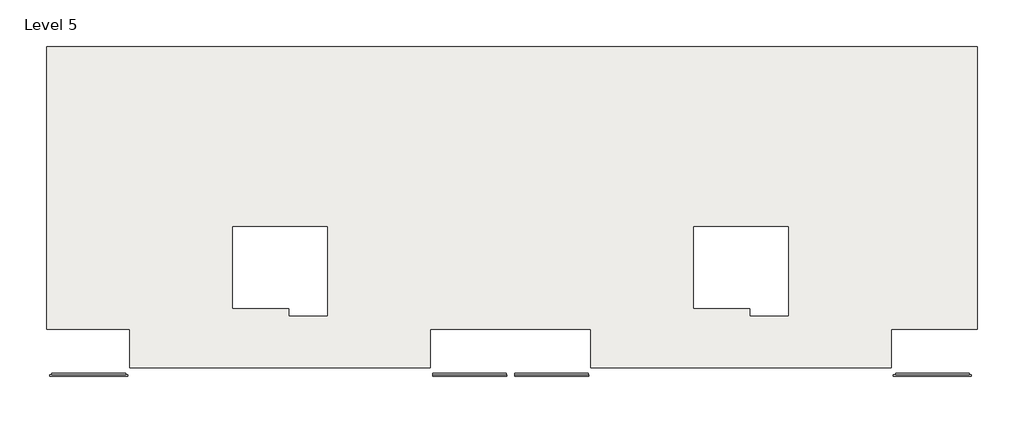
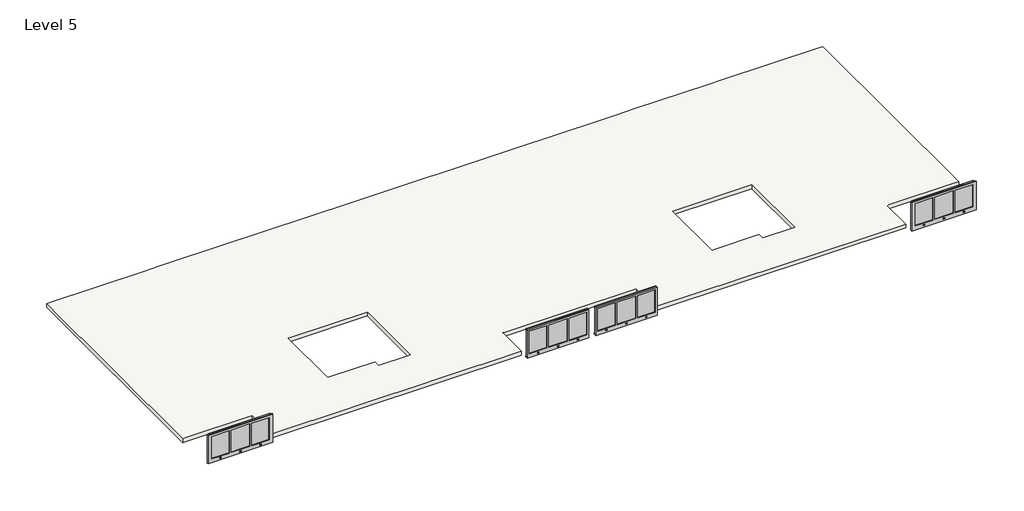
# One storey, part 3 of 3: 4 proxies, 1 slab.
"""IFC4 building model written with IfcOpenShell, lengths in millimetres."""

import ifcopenshell
import ifcopenshell.guid

model = None  # the IFC model being written
_history = None  # IfcOwnerHistory: only IFC2X3 demands one
_inside = {}  # id of a spatial element -> (the spatial element, [elements in it])
_under = {}  # id of a project, library or spatial element -> (it, [spatial elements below it])
_declared = {}  # id of a project -> (the project, [libraries it declares])
_typed = {}  # id of a type object -> (the type object, [elements of that type])
_made_of = {}  # id of a material, layer set ... -> (it, [elements and type objects made of it])


def new_model(schema):
    """Start an empty IFC model of exactly this schema.

    Asked for "IFC4X3", IfcOpenShell would pick the latest addendum, in which some entities
    have other attributes; the version numbers below select the first issue.
    IFC2X3 requires an IfcOwnerHistory on every rooted entity: one is made here for all.
    """
    global model, _history
    if schema == "IFC4X3":
        model = ifcopenshell.file(schema_version=(4, 3, 0, 0))
    else:
        model = ifcopenshell.file(schema=schema)
    _inside.clear()
    _under.clear()
    _declared.clear()
    _typed.clear()
    _made_of.clear()
    _history = None
    if model.schema == "IFC2X3":
        org = make("IfcOrganization", Name="unknown")
        user = make(
            "IfcPersonAndOrganization",
            ThePerson=make("IfcPerson", FamilyName="unknown"),
            TheOrganization=org,
        )
        app = make(
            "IfcApplication",
            ApplicationDeveloper=org,
            Version="unknown",
            ApplicationFullName="unknown",
            ApplicationIdentifier="unknown",
        )
        _history = make(
            "IfcOwnerHistory",
            OwningUser=user,
            OwningApplication=app,
            ChangeAction="ADDED",
            CreationDate=0,
        )
    return model


def make(cls, **values):
    """One entity of the class cls with the attributes given. An attribute that is None is left unset."""
    return model.create_entity(
        cls, **{name: value for name, value in values.items() if value is not None}
    )


def rooted(cls, **values):
    """An entity with a GlobalId (a new one), such as an element, a storey or a relation."""
    return make(cls, GlobalId=ifcopenshell.guid.new(), OwnerHistory=_history, **values)


def si_unit(unit_type, name, prefix=None):
    """IfcSIUnit, for example si_unit("LENGTHUNIT", "METRE", prefix="MILLI")."""
    return make("IfcSIUnit", UnitType=unit_type, Prefix=prefix, Name=name)


def assignment(units):
    """IfcUnitAssignment: the units of a project."""
    return None if units is None else make("IfcUnitAssignment", Units=units)


def point(xyz):
    """IfcCartesianPoint."""
    return None if xyz is None else make("IfcCartesianPoint", Coordinates=xyz)


def direction(xyz):
    """IfcDirection."""
    return None if xyz is None else make("IfcDirection", DirectionRatios=xyz)


def frame(location, z_axis=None, x_axis=None):
    """IfcAxis2Placement3D, a coordinate frame: its origin and axes. An axis left out is left unset."""
    return make(
        "IfcAxis2Placement3D",
        Location=point(location),
        Axis=direction(z_axis),
        RefDirection=direction(x_axis),
    )


def origin():
    """The frame at (0, 0, 0) with its axes left unset."""
    return frame((0.0, 0.0, 0.0))


def place(relative_to, where):
    """IfcLocalPlacement: puts the frame where relative to a parent placement (None: the world)."""
    return make(
        "IfcLocalPlacement", PlacementRelTo=relative_to, RelativePlacement=where
    )


def context(
    kind, dimensions, precision=None, world=None, true_north=None, identifier=None
):
    """IfcGeometricRepresentationContext, for example the 3D "Model" context."""
    return make(
        "IfcGeometricRepresentationContext",
        ContextIdentifier=identifier,
        ContextType=kind,
        CoordinateSpaceDimension=dimensions,
        Precision=precision,
        WorldCoordinateSystem=world,
        TrueNorth=true_north,
    )


def project(units=None, contexts=None):
    """IfcProject with its units and contexts."""
    return rooted(
        "IfcProject",
        Name="project",
        RepresentationContexts=contexts,
        UnitsInContext=assignment(units),
    )


def spatial(cls, under=None, at=None, **own):
    """A site, building, storey or space (cls), placed at a placement, below another one or the project."""
    s = rooted(cls, ObjectPlacement=at, **own)
    if under is not None:
        _under.setdefault(under.id(), (under, []))[1].append(s)
    return s


def polyline(points):
    """IfcPolyline through the points."""
    return make("IfcPolyline", Points=[point(p) for p in points])


def outline(outer, holes=None, kind="AREA"):
    """IfcArbitraryClosedProfileDef: a profile drawn as a closed curve; with holes, ...WithVoids."""
    if holes is None:
        return make("IfcArbitraryClosedProfileDef", ProfileType=kind, OuterCurve=outer)
    return make(
        "IfcArbitraryProfileDefWithVoids",
        ProfileType=kind,
        OuterCurve=outer,
        InnerCurves=holes,
    )


def extrude(swept, where, along, depth):
    """IfcExtrudedAreaSolid: the profile swept, set in the frame where, extruded along a direction by depth."""
    return make(
        "IfcExtrudedAreaSolid",
        SweptArea=swept,
        Position=where,
        ExtrudedDirection=direction(along),
        Depth=depth,
    )


def faces_of(points, faces, orient=None, outer=None):
    """IfcFace entities. A face is a list of loops; a loop is a list of indices into points, from 0.

    orient and outer hold one flag for each loop. By default every Orientation is true, the
    first loop of a face is its IfcFaceOuterBound and the others are IfcFaceBound.
    """
    made = []
    for i, loops in enumerate(faces):
        bounds = []
        for j, loop in enumerate(loops):
            is_outer = j == 0 if outer is None else outer[i][j]
            bounds.append(
                make(
                    "IfcFaceOuterBound" if is_outer else "IfcFaceBound",
                    Bound=make("IfcPolyLoop", Polygon=[points[k] for k in loop]),
                    Orientation=True if orient is None else orient[i][j],
                )
            )
        made.append(make("IfcFace", Bounds=bounds))
    return made


def faceted_brep(points, faces, orient=None, outer=None, voids=None):
    """IfcFacetedBrep: a solid bounded by flat faces; with voids (closed shells), ...WithVoids."""
    shared = [point(p) for p in points]
    hull = make("IfcClosedShell", CfsFaces=faces_of(shared, faces, orient, outer))
    if voids is None:
        return make("IfcFacetedBrep", Outer=hull)
    return make(
        "IfcFacetedBrepWithVoids",
        Outer=hull,
        Voids=[
            make(cls, CfsFaces=faces_of(shared, fs, o, b)) for cls, fs, o, b in voids
        ],
    )


def shape(context_of_items, identifier, shape_type, items):
    """IfcShapeRepresentation: the items that make up one representation, for example the "Body"."""
    return make(
        "IfcShapeRepresentation",
        ContextOfItems=context_of_items,
        RepresentationIdentifier=identifier,
        RepresentationType=shape_type,
        Items=items,
    )


def source(mapping_origin, context_of_items, identifier, shape_type, items):
    """IfcRepresentationMap: a shape defined once, which mapped items show again and again."""
    return make(
        "IfcRepresentationMap",
        MappingOrigin=mapping_origin,
        MappedRepresentation=shape(context_of_items, identifier, shape_type, items),
    )


def transform(
    local_origin,
    x_axis=None,
    y_axis=None,
    z_axis=None,
    scale=None,
    scale2=None,
    scale3=None,
    uniform=True,
):
    """IfcCartesianTransformationOperator3D, or its non-uniform kind. x_axis, y_axis, z_axis: its Axis1, 2, 3."""
    if uniform:
        return make(
            "IfcCartesianTransformationOperator3D",
            Axis1=direction(x_axis),
            Axis2=direction(y_axis),
            LocalOrigin=point(local_origin),
            Scale=scale,
            Axis3=direction(z_axis),
        )
    return make(
        "IfcCartesianTransformationOperator3DnonUniform",
        Axis1=direction(x_axis),
        Axis2=direction(y_axis),
        LocalOrigin=point(local_origin),
        Scale=scale,
        Axis3=direction(z_axis),
        Scale2=scale2,
        Scale3=scale3,
    )


def mapped(mapping_source, mapping_target):
    """IfcMappedItem: shows the shape of a source again, moved by a transform."""
    return make(
        "IfcMappedItem", MappingSource=mapping_source, MappingTarget=mapping_target
    )


def made_of(thing, what):
    """Note that an element or type object is made of a material, layer set ...; save() writes the relation."""
    if what is not None:
        _made_of.setdefault(what.id(), (what, []))[1].append(thing)
    return thing


def element(
    cls,
    number,
    at=None,
    inside=None,
    cuts=None,
    type_object=None,
    material=None,
    context=None,
    identifier="Body",
    shape_type=None,
    held_by="IfcProductDefinitionShape",
    body=None,
    shapes=None,
    **own,
):
    """One element of the class cls, such as IfcWall. Its Tag is "e" and its number.

    at: its placement. inside: the storey or other place that contains it. cuts: it is an
    opening in that element (IfcRelVoidsElement). A single representation is given by context,
    identifier, shape_type and body (its items); several are given by shapes. held_by: the class
    of the entity that holds the representations. save() writes the other relations.
    """
    e = rooted(cls, Tag="e%d" % number, ObjectPlacement=at, **own)
    if body is not None:
        shapes = [shape(context, identifier, shape_type, body)]
    if shapes is not None:
        e.Representation = make(held_by, Representations=shapes)
    if inside is not None:
        _inside.setdefault(inside.id(), (inside, []))[1].append(e)
    if cuts is not None:
        rooted(
            "IfcRelVoidsElement", RelatingBuildingElement=cuts, RelatedOpeningElement=e
        )
    if type_object is not None:
        _typed.setdefault(type_object.id(), (type_object, []))[1].append(e)
    return made_of(e, material)


def aggregate(whole, parts):
    """IfcRelAggregates: a whole, such as a stair, and the parts it consists of."""
    return rooted("IfcRelAggregates", RelatingObject=whole, RelatedObjects=parts)


def save(model, path):
    """Write the relations noted so far, then the file.

    IfcRelAggregates (storeys below a building ...), IfcRelContainedInSpatialStructure (elements
    in a storey), IfcRelDefinesByType, IfcRelAssociatesMaterial and IfcRelDeclares: one each for
    every whole, place, type object, material and project.
    """
    for whole, parts in _under.values():
        aggregate(whole, parts)
    for where, things in _inside.values():
        rooted(
            "IfcRelContainedInSpatialStructure",
            RelatedElements=things,
            RelatingStructure=where,
        )
    for kind, things in _typed.values():
        rooted("IfcRelDefinesByType", RelatedObjects=things, RelatingType=kind)
    for what, things in _made_of.values():
        rooted("IfcRelAssociatesMaterial", RelatedObjects=things, RelatingMaterial=what)
    for by, libraries in _declared.values():
        rooted("IfcRelDeclares", RelatingContext=by, RelatedDefinitions=libraries)
    model.write(path)


def proxy_34_balkon_beton_upgrade_34_balkon_beton_upgrade_abe62828(model_context):
    return source(origin(), model_context, "Body", "SolidModel", [
        extrude(outline(polyline([(0.0, 171.0), (2400.0, 171.0), (2400.0, 131.0), (0.0, 131.0), (0.0, 171.0)])), frame((0.0, 0.0, -160.0), z_axis=(0.0, 0.0, 1.0), x_axis=(1.0, 0.0, 0.0)), (0.0, 0.0, 1.0), 50.1252074),
        extrude(outline(polyline([(0.0, 171.0), (2400.0, 171.0), (2400.0, 131.0), (0.0, 131.0), (0.0, 171.0)])), frame((0.0, 0.0, 949.8747926), z_axis=(0.0, 0.0, 1.0), x_axis=(1.0, 0.0, 0.0)), (0.0, 0.0, 1.0), 50.1252074),
        faceted_brep([(2467.016579, 71.0, 1000.0), (2467.016579, 131.0, 1000.0), (-67.983421, 131.0, 1000.0), (-67.983421, 71.0, 1000.0), (2467.016579, 71.0, -160.0), (-67.983421, 71.0, -160.0), (-67.983421, 131.0, -160.0), (2467.016579, 131.0, -160.0), (80.0, 71.0, 920.0866276), (764.7878361, 71.0, 920.0866276), (764.7878361, 71.0, 0.0), (80.0, 71.0, 0.0), (398.0, 71.0, -55.4898511), (447.0, 71.0, -55.4898511), (447.0, 71.0, -104.5186216), (398.0, 71.0, -104.5186216), (835.0, 71.0, 920.0866276), (1564.9346322, 71.0, 920.0866276), (1564.9346322, 71.0, 0.0), (835.0, 71.0, 0.0), (1635.0, 71.0, 920.0866276), (2319.772068, 71.0, 920.0866276), (2319.772068, 71.0, 0.0), (1635.0, 71.0, 0.0), (1175.5, 71.0, -55.4898511), (1224.5, 71.0, -55.4898511), (1224.5, 71.0, -104.5186216), (1175.5, 71.0, -104.5186216), (1953.0, 71.0, -55.4898511), (2002.0, 71.0, -55.4898511), (2002.0, 71.0, -104.5186216), (1953.0, 71.0, -104.5186216), (80.0, 101.0, 920.0866276), (764.7878361, 101.0, 920.0866276), (764.7878361, 101.0, 0.0), (80.0, 101.0, 0.0), (398.0, 130.0, -55.4898511), (447.0, 130.0, -55.4898511), (447.0, 130.0, -104.5186216), (398.0, 130.0, -104.5186216), (835.0, 101.0, 920.0866276), (1564.9346322, 101.0, 920.0866276), (1564.9346322, 101.0, 0.0), (835.0, 101.0, 0.0), (1635.0, 101.0, 920.0866276), (2319.772068, 101.0, 920.0866276), (2319.772068, 101.0, 0.0), (1635.0, 101.0, 0.0), (1175.5, 130.0, -55.4898511), (1224.5, 130.0, -55.4898511), (1224.5, 130.0, -104.5186216), (1175.5, 130.0, -104.5186216), (1953.0, 130.0, -55.4898511), (2002.0, 130.0, -55.4898511), (2002.0, 130.0, -104.5186216), (1953.0, 130.0, -104.5186216)], [[[0, 1, 2, 3]], [[4, 5, 6, 7]], [[1, 0, 4, 7]], [[2, 1, 7, 6]], [[3, 2, 6, 5]], [[0, 3, 5, 4], [8, 9, 10, 11], [12, 13, 14, 15], [16, 17, 18, 19], [20, 21, 22, 23], [24, 25, 26, 27], [28, 29, 30, 31]], [[32, 33, 9, 8]], [[34, 35, 11, 10]], [[33, 32, 35, 34]], [[35, 32, 8, 11]], [[33, 34, 10, 9]], [[36, 37, 13, 12]], [[38, 39, 15, 14]], [[37, 38, 14, 13]], [[37, 36, 39, 38]], [[39, 36, 12, 15]], [[40, 41, 17, 16]], [[42, 43, 19, 18]], [[41, 40, 43, 42]], [[43, 40, 16, 19]], [[41, 42, 18, 17]], [[44, 45, 21, 20]], [[46, 47, 23, 22]], [[45, 44, 47, 46]], [[47, 44, 20, 23]], [[45, 46, 22, 21]], [[48, 49, 25, 24]], [[50, 51, 27, 26]], [[51, 48, 24, 27]], [[49, 48, 51, 50]], [[49, 50, 26, 25]], [[52, 53, 29, 28]], [[54, 55, 31, 30]], [[55, 52, 28, 31]], [[53, 52, 55, 54]], [[53, 54, 30, 29]]]),
    ])


def proxy_34_balkon_beton_upgrade_34_balkon_beton_upgrade_33d13401(model_context):
    return source(origin(), model_context, "Body", "SolidModel", [
        extrude(outline(polyline([(0.0, -171.0), (0.0, -131.0), (2400.0, -131.0), (2400.0, -171.0), (0.0, -171.0)])), frame((0.0, 0.0, -160.0), z_axis=(0.0, 0.0, 1.0), x_axis=(1.0, 0.0, 0.0)), (0.0, 0.0, 1.0), 50.1252074),
        extrude(outline(polyline([(0.0, -171.0), (0.0, -131.0), (2400.0, -131.0), (2400.0, -171.0), (0.0, -171.0)])), frame((0.0, 0.0, 949.8747926), z_axis=(0.0, 0.0, 1.0), x_axis=(1.0, 0.0, 0.0)), (0.0, 0.0, 1.0), 50.1252074),
        faceted_brep([(2467.016579, -71.0, 1000.0), (-67.983421, -71.0, 1000.0), (-67.983421, -131.0, 1000.0), (2467.016579, -131.0, 1000.0), (2467.016579, -71.0, -160.0), (2467.016579, -131.0, -160.0), (-67.983421, -131.0, -160.0), (-67.983421, -71.0, -160.0), (80.0, -71.0, 920.0866276), (80.0, -71.0, 0.0), (764.7878361, -71.0, 0.0), (764.7878361, -71.0, 920.0866276), (398.0, -71.0, -55.4898511), (398.0, -71.0, -104.5186216), (447.0, -71.0, -104.5186216), (447.0, -71.0, -55.4898511), (835.0, -71.0, 920.0866276), (835.0, -71.0, 0.0), (1564.9346322, -71.0, 0.0), (1564.9346322, -71.0, 920.0866276), (1635.0, -71.0, 920.0866276), (1635.0, -71.0, 0.0), (2319.772068, -71.0, 0.0), (2319.772068, -71.0, 920.0866276), (1175.5, -71.0, -55.4898511), (1175.5, -71.0, -104.5186216), (1224.5, -71.0, -104.5186216), (1224.5, -71.0, -55.4898511), (1953.0, -71.0, -55.4898511), (1953.0, -71.0, -104.5186216), (2002.0, -71.0, -104.5186216), (2002.0, -71.0, -55.4898511), (80.0, -101.0, 920.0866276), (764.7878361, -101.0, 920.0866276), (764.7878361, -101.0, 0.0), (80.0, -101.0, 0.0), (398.0, -130.0, -55.4898511), (447.0, -130.0, -55.4898511), (447.0, -130.0, -104.5186216), (398.0, -130.0, -104.5186216), (835.0, -101.0, 920.0866276), (1564.9346322, -101.0, 920.0866276), (1564.9346322, -101.0, 0.0), (835.0, -101.0, 0.0), (1635.0, -101.0, 920.0866276), (2319.772068, -101.0, 920.0866276), (2319.772068, -101.0, 0.0), (1635.0, -101.0, 0.0), (1175.5, -130.0, -55.4898511), (1224.5, -130.0, -55.4898511), (1224.5, -130.0, -104.5186216), (1175.5, -130.0, -104.5186216), (1953.0, -130.0, -55.4898511), (2002.0, -130.0, -55.4898511), (2002.0, -130.0, -104.5186216), (1953.0, -130.0, -104.5186216)], [[[0, 1, 2, 3]], [[4, 5, 6, 7]], [[3, 5, 4, 0]], [[2, 6, 5, 3]], [[1, 7, 6, 2]], [[0, 4, 7, 1], [8, 9, 10, 11], [12, 13, 14, 15], [16, 17, 18, 19], [20, 21, 22, 23], [24, 25, 26, 27], [28, 29, 30, 31]], [[32, 8, 11, 33]], [[34, 10, 9, 35]], [[33, 34, 35, 32]], [[35, 9, 8, 32]], [[33, 11, 10, 34]], [[36, 12, 15, 37]], [[38, 14, 13, 39]], [[37, 15, 14, 38]], [[37, 38, 39, 36]], [[39, 13, 12, 36]], [[40, 16, 19, 41]], [[42, 18, 17, 43]], [[41, 42, 43, 40]], [[43, 17, 16, 40]], [[41, 19, 18, 42]], [[44, 20, 23, 45]], [[46, 22, 21, 47]], [[45, 46, 47, 44]], [[47, 21, 20, 44]], [[45, 23, 22, 46]], [[48, 24, 27, 49]], [[50, 26, 25, 51]], [[51, 25, 24, 48]], [[49, 50, 51, 48]], [[49, 27, 26, 50]], [[52, 28, 31, 53]], [[54, 30, 29, 55]], [[55, 29, 28, 52]], [[53, 54, 55, 52]], [[53, 31, 30, 54]]]),
    ])


def proxy_34_balkon_beton_upgrade_b_34_balkon_beton_upgrade_b_889b678c(model_context):
    return source(origin(), model_context, "Body", "SolidModel", [
        extrude(outline(polyline([(0.0, 171.0), (2400.0, 171.0), (2400.0, 131.0), (0.0, 131.0), (0.0, 171.0)])), frame((0.0, 0.0, -160.0), z_axis=(0.0, 0.0, 1.0), x_axis=(1.0, 0.0, 0.0)), (0.0, 0.0, 1.0), 50.1252074),
        extrude(outline(polyline([(0.0, 171.0), (2400.0, 171.0), (2400.0, 131.0), (0.0, 131.0), (0.0, 171.0)])), frame((0.0, 0.0, 949.8747926), z_axis=(0.0, 0.0, 1.0), x_axis=(1.0, 0.0, 0.0)), (0.0, 0.0, 1.0), 50.1252074),
        faceted_brep([(2404.9346322, 71.0, 1000.0), (2404.9346322, 131.0, 1000.0), (-6.8377708, 131.0, 1000.0), (-6.8377708, 71.0, 1000.0), (2404.9346322, 71.0, -160.0), (-6.8377708, 71.0, -160.0), (-6.8377708, 131.0, -160.0), (2404.9346322, 131.0, -160.0), (80.0, 71.0, 920.0866276), (764.7878361, 71.0, 920.0866276), (764.7878361, 71.0, 0.0), (80.0, 71.0, 0.0), (398.0, 71.0, -55.4898511), (447.0, 71.0, -55.4898511), (447.0, 71.0, -104.5186216), (398.0, 71.0, -104.5186216), (835.0, 71.0, 920.0866276), (1564.9346322, 71.0, 920.0866276), (1564.9346322, 71.0, 0.0), (835.0, 71.0, 0.0), (1635.0, 71.0, 920.0866276), (2319.772068, 71.0, 920.0866276), (2319.772068, 71.0, 0.0), (1635.0, 71.0, 0.0), (1175.5, 71.0, -55.4898511), (1224.5, 71.0, -55.4898511), (1224.5, 71.0, -104.5186216), (1175.5, 71.0, -104.5186216), (1953.0, 71.0, -55.4898511), (2002.0, 71.0, -55.4898511), (2002.0, 71.0, -104.5186216), (1953.0, 71.0, -104.5186216), (80.0, 101.0, 920.0866276), (764.7878361, 101.0, 920.0866276), (764.7878361, 101.0, 0.0), (80.0, 101.0, 0.0), (398.0, 130.0, -55.4898511), (447.0, 130.0, -55.4898511), (447.0, 130.0, -104.5186216), (398.0, 130.0, -104.5186216), (835.0, 101.0, 920.0866276), (1564.9346322, 101.0, 920.0866276), (1564.9346322, 101.0, 0.0), (835.0, 101.0, 0.0), (1635.0, 101.0, 920.0866276), (2319.772068, 101.0, 920.0866276), (2319.772068, 101.0, 0.0), (1635.0, 101.0, 0.0), (1175.5, 130.0, -55.4898511), (1224.5, 130.0, -55.4898511), (1224.5, 130.0, -104.5186216), (1175.5, 130.0, -104.5186216), (1953.0, 130.0, -55.4898511), (2002.0, 130.0, -55.4898511), (2002.0, 130.0, -104.5186216), (1953.0, 130.0, -104.5186216)], [[[0, 1, 2, 3]], [[4, 5, 6, 7]], [[1, 0, 4, 7]], [[2, 1, 7, 6]], [[3, 2, 6, 5]], [[0, 3, 5, 4], [8, 9, 10, 11], [12, 13, 14, 15], [16, 17, 18, 19], [20, 21, 22, 23], [24, 25, 26, 27], [28, 29, 30, 31]], [[32, 33, 9, 8]], [[34, 35, 11, 10]], [[33, 32, 35, 34]], [[35, 32, 8, 11]], [[33, 34, 10, 9]], [[36, 37, 13, 12]], [[38, 39, 15, 14]], [[37, 38, 14, 13]], [[37, 36, 39, 38]], [[39, 36, 12, 15]], [[40, 41, 17, 16]], [[42, 43, 19, 18]], [[41, 40, 43, 42]], [[43, 40, 16, 19]], [[41, 42, 18, 17]], [[44, 45, 21, 20]], [[46, 47, 23, 22]], [[45, 44, 47, 46]], [[47, 44, 20, 23]], [[45, 46, 22, 21]], [[48, 49, 25, 24]], [[50, 51, 27, 26]], [[51, 48, 24, 27]], [[49, 48, 51, 50]], [[49, 50, 26, 25]], [[52, 53, 29, 28]], [[54, 55, 31, 30]], [[55, 52, 28, 31]], [[53, 52, 55, 54]], [[53, 54, 30, 29]]]),
    ])


def proxy_34_balkon_beton_upgrade_b_34_balkon_beton_upgrade_b_ca802546(model_context):
    return source(origin(), model_context, "Body", "SolidModel", [
        extrude(outline(polyline([(0.0, -171.0), (0.0, -131.0), (2400.0, -131.0), (2400.0, -171.0), (0.0, -171.0)])), frame((0.0, 0.0, -160.0), z_axis=(0.0, 0.0, 1.0), x_axis=(1.0, 0.0, 0.0)), (0.0, 0.0, 1.0), 50.1252074),
        extrude(outline(polyline([(0.0, -171.0), (0.0, -131.0), (2400.0, -131.0), (2400.0, -171.0), (0.0, -171.0)])), frame((0.0, 0.0, 949.8747926), z_axis=(0.0, 0.0, 1.0), x_axis=(1.0, 0.0, 0.0)), (0.0, 0.0, 1.0), 50.1252074),
        faceted_brep([(2404.9346322, -71.0, 1000.0), (-6.8377708, -71.0, 1000.0), (-6.8377708, -131.0, 1000.0), (2404.9346322, -131.0, 1000.0), (2404.9346322, -71.0, -160.0), (2404.9346322, -131.0, -160.0), (-6.8377708, -131.0, -160.0), (-6.8377708, -71.0, -160.0), (80.0, -71.0, 920.0866276), (80.0, -71.0, 0.0), (764.7878361, -71.0, 0.0), (764.7878361, -71.0, 920.0866276), (398.0, -71.0, -55.4898511), (398.0, -71.0, -104.5186216), (447.0, -71.0, -104.5186216), (447.0, -71.0, -55.4898511), (835.0, -71.0, 920.0866276), (835.0, -71.0, 0.0), (1564.9346322, -71.0, 0.0), (1564.9346322, -71.0, 920.0866276), (1635.0, -71.0, 920.0866276), (1635.0, -71.0, 0.0), (2319.772068, -71.0, 0.0), (2319.772068, -71.0, 920.0866276), (1175.5, -71.0, -55.4898511), (1175.5, -71.0, -104.5186216), (1224.5, -71.0, -104.5186216), (1224.5, -71.0, -55.4898511), (1953.0, -71.0, -55.4898511), (1953.0, -71.0, -104.5186216), (2002.0, -71.0, -104.5186216), (2002.0, -71.0, -55.4898511), (80.0, -101.0, 920.0866276), (764.7878361, -101.0, 920.0866276), (764.7878361, -101.0, 0.0), (80.0, -101.0, 0.0), (398.0, -130.0, -55.4898511), (447.0, -130.0, -55.4898511), (447.0, -130.0, -104.5186216), (398.0, -130.0, -104.5186216), (835.0, -101.0, 920.0866276), (1564.9346322, -101.0, 920.0866276), (1564.9346322, -101.0, 0.0), (835.0, -101.0, 0.0), (1635.0, -101.0, 920.0866276), (2319.772068, -101.0, 920.0866276), (2319.772068, -101.0, 0.0), (1635.0, -101.0, 0.0), (1175.5, -130.0, -55.4898511), (1224.5, -130.0, -55.4898511), (1224.5, -130.0, -104.5186216), (1175.5, -130.0, -104.5186216), (1953.0, -130.0, -55.4898511), (2002.0, -130.0, -55.4898511), (2002.0, -130.0, -104.5186216), (1953.0, -130.0, -104.5186216)], [[[0, 1, 2, 3]], [[4, 5, 6, 7]], [[3, 5, 4, 0]], [[2, 6, 5, 3]], [[1, 7, 6, 2]], [[0, 4, 7, 1], [8, 9, 10, 11], [12, 13, 14, 15], [16, 17, 18, 19], [20, 21, 22, 23], [24, 25, 26, 27], [28, 29, 30, 31]], [[32, 8, 11, 33]], [[34, 10, 9, 35]], [[33, 34, 35, 32]], [[35, 9, 8, 32]], [[33, 11, 10, 34]], [[36, 12, 15, 37]], [[38, 14, 13, 39]], [[37, 15, 14, 38]], [[37, 38, 39, 36]], [[39, 13, 12, 36]], [[40, 16, 19, 41]], [[42, 18, 17, 43]], [[41, 42, 43, 40]], [[43, 17, 16, 40]], [[41, 19, 18, 42]], [[44, 20, 23, 45]], [[46, 22, 21, 47]], [[45, 46, 47, 44]], [[47, 21, 20, 44]], [[45, 23, 22, 46]], [[48, 24, 27, 49]], [[50, 26, 25, 51]], [[51, 25, 24, 48]], [[49, 50, 51, 48]], [[49, 27, 26, 50]], [[52, 28, 31, 53]], [[54, 30, 29, 55]], [[55, 29, 28, 52]], [[53, 54, 55, 52]], [[53, 31, 30, 54]]]),
    ])


model = new_model("IFC4")

# Units and contexts
model_context = context("Model", 3, world=origin())
ifc_project = project(units=[si_unit("LENGTHUNIT", "METRE", prefix="MILLI")], contexts=[model_context])

# Site, building, storey
site = spatial("IfcSite", under=ifc_project)
building = spatial("IfcBuilding", under=site)
storey = spatial("IfcBuildingStorey", under=building, Name="Level 5", Elevation=11000.0)

# Proxies
placement = place(None, origin())
proxy_34_balkon_beton_upgrade_34_balkon_beton_upgrade_shape = proxy_34_balkon_beton_upgrade_34_balkon_beton_upgrade_abe62828(model_context)
element("IfcBuildingElementProxy", 1, Name="34_BALKON_BETON_UPGRADE : 34_BALKON_BETON_UPGRADE", ObjectType="34_BALKON_BETON_UPGRADE : 34_BALKON_BETON_UPGRADE", at=placement, inside=storey, context=model_context, shape_type="MappedRepresentation", body=[
    mapped(proxy_34_balkon_beton_upgrade_34_balkon_beton_upgrade_shape, transform((-86535.8678656, -100411.184392, 11015.5508317), x_axis=(1.0, 0.0, 0.0), y_axis=(0.0, 1.0, 0.0), z_axis=(0.0, 0.0, 1.0))),
])
proxy_34_balkon_beton_upgrade_34_balkon_beton_upgrade_2_shape = proxy_34_balkon_beton_upgrade_34_balkon_beton_upgrade_33d13401(model_context)
element("IfcBuildingElementProxy", 2, Name="34_BALKON_BETON_UPGRADE : 34_BALKON_BETON_UPGRADE", ObjectType="34_BALKON_BETON_UPGRADE : 34_BALKON_BETON_UPGRADE", at=placement, inside=storey, context=model_context, shape_type="MappedRepresentation", body=[
    mapped(proxy_34_balkon_beton_upgrade_34_balkon_beton_upgrade_2_shape, transform((-111602.9055366, -100411.184392, 11015.5508317), x_axis=(-1.0, 0.0, 0.0), y_axis=(0.0, -1.0, 0.0), z_axis=(0.0, 0.0, 1.0))),
])
proxy_34_balkon_beton_upgrade_b_34_balkon_beton_upgrade_b_shape = proxy_34_balkon_beton_upgrade_b_34_balkon_beton_upgrade_b_889b678c(model_context)
element("IfcBuildingElementProxy", 3, Name="34_BALKON_BETON_UPGRADE_B : 34_BALKON_BETON_UPGRADE_B", ObjectType="34_BALKON_BETON_UPGRADE_B : 34_BALKON_BETON_UPGRADE_B", at=placement, inside=storey, context=model_context, shape_type="MappedRepresentation", body=[
    mapped(proxy_34_balkon_beton_upgrade_b_34_balkon_beton_upgrade_b_shape, transform((-101603.0489303, -100411.3209837, 11014.4), x_axis=(1.0, 0.0, 0.0), y_axis=(0.0, 1.0, 0.0), z_axis=(0.0, 0.0, 1.0))),
])
proxy_34_balkon_beton_upgrade_b_34_balkon_beton_upgrade_b_2_shape = proxy_34_balkon_beton_upgrade_b_34_balkon_beton_upgrade_b_ca802546(model_context)
element("IfcBuildingElementProxy", 4, Name="34_BALKON_BETON_UPGRADE_B : 34_BALKON_BETON_UPGRADE_B", ObjectType="34_BALKON_BETON_UPGRADE_B : 34_BALKON_BETON_UPGRADE_B", at=placement, inside=storey, context=model_context, shape_type="MappedRepresentation", body=[
    mapped(proxy_34_balkon_beton_upgrade_b_34_balkon_beton_upgrade_b_2_shape, transform((-96535.7244719, -100411.3209837, 11014.4), x_axis=(-1.0, 0.0, 0.0), y_axis=(0.0, -1.0, 0.0), z_axis=(0.0, 0.0, 1.0))),
])

# Slab
element("IfcSlab", 5, ObjectType="Vloer ON4", at=placement, inside=storey, context=model_context, shape_type="Brep", body=[
    faceted_brep([(-114174.8867011, -89601.3209837, 10840.0), (-114069.8867011, -89601.3209837, 10840.0), (-110344.8867011, -89601.3209837, 10840.0), (-109784.8867011, -89601.3209837, 10840.0), (-106964.8867011, -89601.3209837, 10840.0), (-106179.8867011, -89601.3209837, 10840.0), (-103359.8867011, -89601.3209837, 10840.0), (-102799.8867011, -89601.3209837, 10840.0), (-99179.8867011, -89601.3209837, 10840.0), (-98958.8867011, -89601.3209837, 10840.0), (-95338.8867011, -89601.3209837, 10840.0), (-94778.8867011, -89601.3209837, 10840.0), (-91958.8867011, -89601.3209837, 10840.0), (-91173.8867011, -89601.3209837, 10840.0), (-88353.8867011, -89601.3209837, 10840.0), (-87793.8867011, -89601.3209837, 10840.0), (-84068.8867011, -89601.3209837, 10840.0), (-83869.8867011, -89601.3209837, 10840.0), (-83869.8867011, -89711.3209837, 10840.0), (-83869.8867011, -98806.3209837, 10840.0), (-84069.8867011, -98806.3209837, 10840.0), (-86603.8867011, -98806.3209837, 10840.0), (-86673.8867011, -98806.3209837, 10840.0), (-86678.8867011, -98806.3209837, 10840.0), (-86678.8867011, -99921.3209837, 10840.0), (-86678.8867011, -100061.3209837, 10840.0), (-96458.8867011, -100061.3209837, 10840.0), (-96458.8867011, -99921.3209837, 10840.0), (-96458.8867011, -98806.3209837, 10840.0), (-96528.8867011, -98806.3209837, 10840.0), (-101609.8867011, -98806.3209837, 10840.0), (-101678.8867011, -98806.3209837, 10840.0), (-101678.8867011, -98876.3209837, 10840.0), (-101678.8867011, -99921.3209837, 10840.0), (-101678.8867011, -100061.3209837, 10840.0), (-111459.8867011, -100061.3209837, 10840.0), (-111459.8867011, -99921.3209837, 10840.0), (-111459.8867011, -98806.3209837, 10840.0), (-111464.8867011, -98806.3209837, 10840.0), (-111534.8867011, -98806.3209837, 10840.0), (-114069.8867011, -98806.3209837, 10840.0), (-114174.8867011, -98806.3209837, 10840.0), (-93108.8867011, -95461.3209837, 10840.0), (-93108.8867011, -98121.3209837, 10840.0), (-92998.8867011, -98121.3209837, 10840.0), (-91263.8867011, -98121.3209837, 10840.0), (-91263.8867011, -98361.3209837, 10840.0), (-90133.8867011, -98361.3209837, 10840.0), (-90023.8867011, -98361.3209837, 10840.0), (-90023.8867011, -95571.3209837, 10840.0), (-90023.8867011, -95461.3209837, 10840.0), (-92998.8867011, -95461.3209837, 10840.0), (-108114.8867011, -95461.3209837, 10840.0), (-108114.8867011, -98121.3209837, 10840.0), (-108004.8867011, -98121.3209837, 10840.0), (-106269.8867011, -98121.3209837, 10840.0), (-106269.8867011, -98361.3209837, 10840.0), (-105139.8867011, -98361.3209837, 10840.0), (-105029.8867011, -98361.3209837, 10840.0), (-105029.8867011, -95571.3209837, 10840.0), (-105029.8867011, -95461.3209837, 10840.0), (-108004.8867011, -95461.3209837, 10840.0), (-114174.8867011, -89601.3209837, 11000.0), (-114174.8867011, -98806.3209837, 11000.0), (-114069.8867011, -98806.3209837, 11000.0), (-111534.8867011, -98806.3209837, 11000.0), (-111464.8867011, -98806.3209837, 11000.0), (-111459.8867011, -98806.3209837, 11000.0), (-111459.8867011, -99921.3209837, 11000.0), (-111459.8867011, -100061.3209837, 11000.0), (-101678.8867011, -100061.3209837, 11000.0), (-101678.8867011, -99921.3209837, 11000.0), (-101678.8867011, -98876.3209837, 11000.0), (-101678.8867011, -98806.3209837, 11000.0), (-101609.8867011, -98806.3209837, 11000.0), (-96528.8867011, -98806.3209837, 11000.0), (-96458.8867011, -98806.3209837, 11000.0), (-96458.8867011, -99921.3209837, 11000.0), (-96458.8867011, -100061.3209837, 11000.0), (-86678.8867011, -100061.3209837, 11000.0), (-86678.8867011, -99921.3209837, 11000.0), (-86678.8867011, -98806.3209837, 11000.0), (-86673.8867011, -98806.3209837, 11000.0), (-86603.8867011, -98806.3209837, 11000.0), (-84069.8867011, -98806.3209837, 11000.0), (-83869.8867011, -98806.3209837, 11000.0), (-83869.8867011, -89711.3209837, 11000.0), (-83869.8867011, -89601.3209837, 11000.0), (-84068.8867011, -89601.3209837, 11000.0), (-87793.8867011, -89601.3209837, 11000.0), (-88353.8867011, -89601.3209837, 11000.0), (-91173.8867011, -89601.3209837, 11000.0), (-91958.8867011, -89601.3209837, 11000.0), (-94778.8867011, -89601.3209837, 11000.0), (-95338.8867011, -89601.3209837, 11000.0), (-98958.8867011, -89601.3209837, 11000.0), (-99179.8867011, -89601.3209837, 11000.0), (-102799.8867011, -89601.3209837, 11000.0), (-103359.8867011, -89601.3209837, 11000.0), (-106179.8867011, -89601.3209837, 11000.0), (-106964.8867011, -89601.3209837, 11000.0), (-109784.8867011, -89601.3209837, 11000.0), (-110344.8867011, -89601.3209837, 11000.0), (-114069.8867011, -89601.3209837, 11000.0), (-93108.8867011, -95461.3209837, 11000.0), (-92998.8867011, -95461.3209837, 11000.0), (-90023.8867011, -95461.3209837, 11000.0), (-90023.8867011, -95571.3209837, 11000.0), (-90023.8867011, -98361.3209837, 11000.0), (-90133.8867011, -98361.3209837, 11000.0), (-91263.8867011, -98361.3209837, 11000.0), (-91263.8867011, -98121.3209837, 11000.0), (-92998.8867011, -98121.3209837, 11000.0), (-93108.8867011, -98121.3209837, 11000.0), (-108114.8867011, -95461.3209837, 11000.0), (-108004.8867011, -95461.3209837, 11000.0), (-105029.8867011, -95461.3209837, 11000.0), (-105029.8867011, -95571.3209837, 11000.0), (-105029.8867011, -98361.3209837, 11000.0), (-105139.8867011, -98361.3209837, 11000.0), (-106269.8867011, -98361.3209837, 11000.0), (-106269.8867011, -98121.3209837, 11000.0), (-108004.8867011, -98121.3209837, 11000.0), (-108114.8867011, -98121.3209837, 11000.0)], [[[0, 1, 2, 3, 4, 5, 6, 7, 8, 9, 10, 11, 12, 13, 14, 15, 16, 17, 18, 19, 20, 21, 22, 23, 24, 25, 26, 27, 28, 29, 30, 31, 32, 33, 34, 35, 36, 37, 38, 39, 40, 41], [42, 43, 44, 45, 46, 47, 48, 49, 50, 51], [52, 53, 54, 55, 56, 57, 58, 59, 60, 61]], [[62, 63, 64, 65, 66, 67, 68, 69, 70, 71, 72, 73, 74, 75, 76, 77, 78, 79, 80, 81, 82, 83, 84, 85, 86, 87, 88, 89, 90, 91, 92, 93, 94, 95, 96, 97, 98, 99, 100, 101, 102, 103], [104, 105, 106, 107, 108, 109, 110, 111, 112, 113], [114, 115, 116, 117, 118, 119, 120, 121, 122, 123]], [[17, 16, 15, 14, 13, 12, 11, 10, 9, 8, 7, 6, 5, 4, 3, 2, 1, 0, 62, 103, 102, 101, 100, 99, 98, 97, 96, 95, 94, 93, 92, 91, 90, 89, 88, 87]], [[19, 18, 17, 87, 86, 85]], [[53, 52, 114, 123]], [[35, 34, 70, 69]], [[0, 41, 63, 62]], [[55, 54, 53, 123, 122, 121]], [[56, 55, 121, 120]], [[58, 57, 56, 120, 119, 118]], [[60, 59, 58, 118, 117, 116]], [[52, 61, 60, 116, 115, 114]], [[43, 42, 104, 113]], [[45, 44, 43, 113, 112, 111]], [[46, 45, 111, 110]], [[48, 47, 46, 110, 109, 108]], [[50, 49, 48, 108, 107, 106]], [[42, 51, 50, 106, 105, 104]], [[37, 36, 35, 69, 68, 67]], [[41, 40, 39, 38, 37, 67, 66, 65, 64, 63]], [[23, 22, 21, 20, 19, 85, 84, 83, 82, 81]], [[25, 24, 23, 81, 80, 79]], [[26, 25, 79, 78]], [[28, 27, 26, 78, 77, 76]], [[31, 30, 29, 28, 76, 75, 74, 73]], [[34, 33, 32, 31, 73, 72, 71, 70]]]),
])

save(model, "model.ifc")
